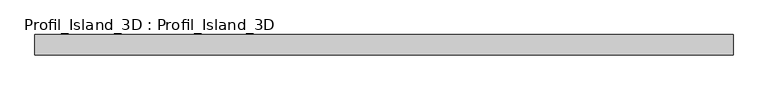
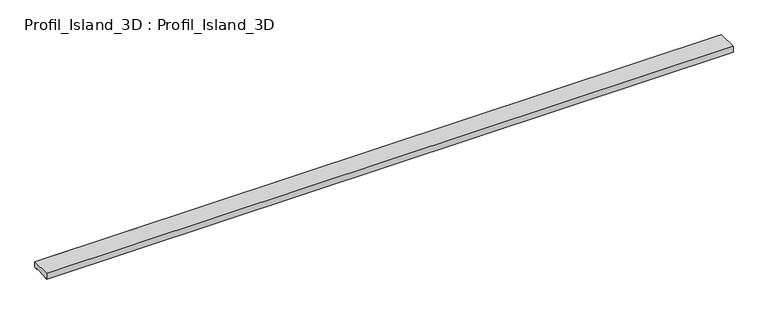
"""IFC4 building model written with IfcOpenShell, lengths in millimetres: proxy geometry, Profil_Island_3D : Profil_Island_3D."""

from ifc_helpers import new_model, si_unit, origin, place, context, project, spatial, faceted_brep, source, transform, mapped, element, save


def profil_island_3d_profil_island_3d_6a534ccf(model_context):
    return source(origin(), model_context, "Body", "Brep", [
        faceted_brep([(0.0, 50.0, 0.0), (0.0, 50.0, -30.0), (0.0, 35.0, -30.0), (0.0, 35.0, -29.2), (0.0, 49.2, -29.2), (0.0, 49.2, -25.0), (0.0, -49.2, -25.0), (0.0, -49.2, -29.2), (0.0, -35.0, -29.2), (0.0, -35.0, -30.0), (0.0, -50.0, -30.0), (0.0, -50.0, 0.0), (3400.0, -50.0, 0.0), (3400.0, -50.0, -30.0), (3400.0, -35.0, -30.0), (3400.0, -35.0, -29.2), (3400.0, -49.2, -29.2), (3400.0, -49.2, -25.0), (3400.0, 49.2, -25.0), (3400.0, 49.2, -29.2), (3400.0, 35.0, -29.2), (3400.0, 35.0, -30.0), (3400.0, 50.0, -30.0), (3400.0, 50.0, 0.0), (3399.2, 49.2, -25.0), (3399.2, 49.2, -0.8), (0.8, 49.2, -0.8), (0.8, 49.2, -25.0), (0.8, -49.2, -0.8), (3399.2, -49.2, -0.8), (0.8, -49.2, -25.0), (3399.2, -49.2, -25.0)], [[[0, 1, 2, 3, 4, 5, 6, 7, 8, 9, 10, 11]], [[12, 13, 14, 15, 16, 17, 18, 19, 20, 21, 22, 23]], [[11, 12, 23, 0]], [[1, 0, 23, 22]], [[2, 1, 22, 21]], [[3, 2, 21, 20]], [[4, 3, 20, 19]], [[4, 19, 18, 24, 25, 26, 27, 5]], [[28, 26, 25, 29]], [[16, 7, 6, 30, 28, 29, 31, 17]], [[8, 7, 16, 15]], [[9, 8, 15, 14]], [[10, 9, 14, 13]], [[11, 10, 13, 12]], [[6, 5, 27, 30]], [[30, 27, 26, 28]], [[31, 24, 18, 17]], [[24, 31, 29, 25]]]),
    ])


if __name__ == "__main__":
    model = new_model("IFC4")
    model_context = context("Model", 3, world=origin())
    ifc_project = project(units=[si_unit("LENGTHUNIT", "METRE", prefix="MILLI")], contexts=[model_context])
    site = spatial("IfcSite", under=ifc_project)
    building = spatial("IfcBuilding", under=site)
    placement = place(None, origin())
    profil_island_3d_profil_island_3d_shape = profil_island_3d_profil_island_3d_6a534ccf(model_context)
    element("IfcBuildingElementProxy", 1, Name="Profil_Island_3D : Profil_Island_3D", ObjectType="Profil_Island_3D : Profil_Island_3D", at=placement, inside=building, context=model_context, shape_type="MappedRepresentation", body=[
        mapped(profil_island_3d_profil_island_3d_shape, transform((0.0, 0.0, 0.0), x_axis=(1.0, 0.0, 0.0), y_axis=(0.0, 1.0, 0.0), z_axis=(0.0, 0.0, 1.0))),
    ])
    save(model, "model.ifc")
